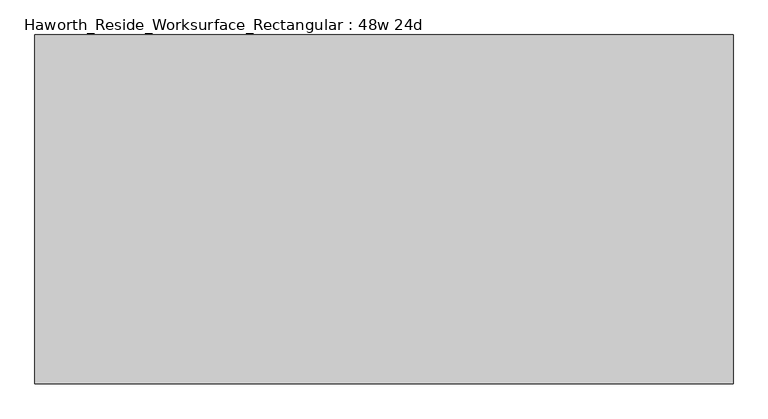
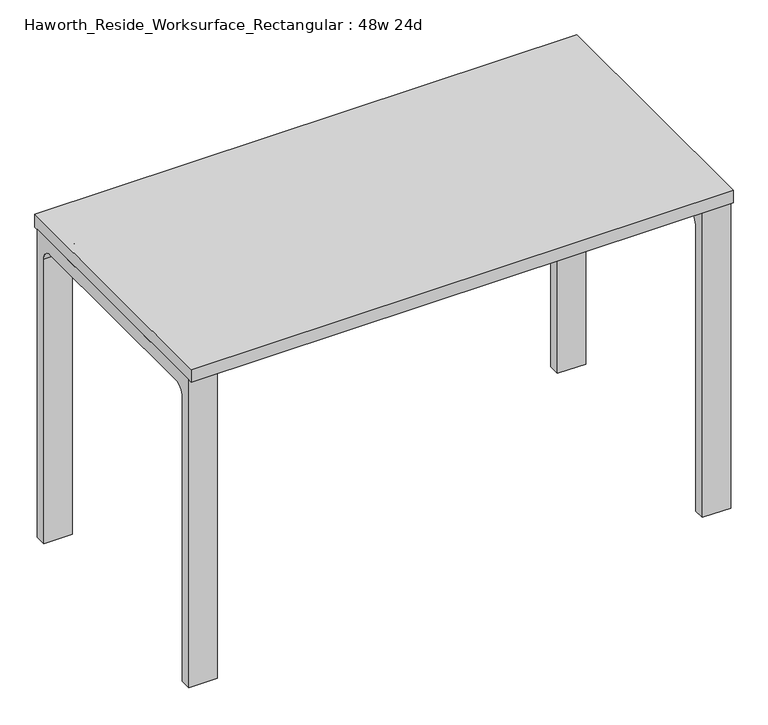
"""IFC4 building model written with IfcOpenShell, lengths in millimetres: furniture geometry, Haworth_Reside_Worksurface_Rectangular : 48w 24d."""

from ifc_helpers import new_model, si_unit, point, frame, frame_2d, origin, place, context, project, spatial, polyline, circle_curve, trimmed, segment, composite_curve, outline, extrude, source, transform, mapped, element, save


def haworth_reside_worksurface_rectangular_48w_24d_f9b2ca49(model_context):
    return source(origin(), model_context, "Body", "SweptSolid", [
        extrude(outline(composite_curve([segment(trimmed(circle_curve(frame_2d((244.475, 676.275)), 25.4), [point((269.875, 676.275))], [point((244.475, 701.675))], True, "CARTESIAN"), True, "CONTINUOUS"), segment(polyline([(244.475, 701.675), (-244.475, 701.675)]), True, "CONTINUOUS"), segment(trimmed(circle_curve(frame_2d((-244.475, 676.275)), 25.4), [point((-244.475, 701.675))], [point((-269.875, 676.275))], True, "CARTESIAN"), True, "CONTINUOUS"), segment(polyline([(-269.875, 676.275), (-269.875, 0.0), (-295.275, 0.0), (-295.275, 731.8375), (295.275, 731.8375), (295.275, 0.0), (269.875, 0.0), (269.875, 676.275)]), True, "CONTINUOUS")], self_intersect=False)), frame((546.1, 0.0, 0.0), z_axis=(1.0, 0.0, 0.0), x_axis=(0.0, 1.0, 0.0)), (0.0, 0.0, 1.0), 63.5),
        extrude(outline(composite_curve([segment(trimmed(circle_curve(frame_2d((244.475, 676.275)), 25.4), [point((269.875, 676.275))], [point((244.475, 701.675))], True, "CARTESIAN"), True, "CONTINUOUS"), segment(polyline([(244.475, 701.675), (-244.475, 701.675)]), True, "CONTINUOUS"), segment(trimmed(circle_curve(frame_2d((-244.475, 676.275)), 25.4), [point((-244.475, 701.675))], [point((-269.875, 676.275))], True, "CARTESIAN"), True, "CONTINUOUS"), segment(polyline([(-269.875, 676.275), (-269.875, 0.0), (-295.275, 0.0), (-295.275, 731.8375), (295.275, 731.8375), (295.275, 0.0), (269.875, 0.0), (269.875, 676.275)]), True, "CONTINUOUS")], self_intersect=False)), frame((-609.6, 0.0, 0.0), z_axis=(1.0, 0.0, 0.0), x_axis=(0.0, 1.0, 0.0)), (0.0, 0.0, 1.0), 63.5),
        extrude(outline(polyline([(609.6, 304.8), (609.6, -304.8), (-609.6, -304.8), (-609.6, 304.8), (609.6, 304.8)])), frame((0.0, 0.0, 731.8375), z_axis=(0.0, 0.0, 1.0), x_axis=(1.0, 0.0, 0.0)), (0.0, 0.0, 1.0), 30.1625),
    ])


if __name__ == "__main__":
    model = new_model("IFC4")
    model_context = context("Model", 3, world=origin())
    ifc_project = project(units=[si_unit("LENGTHUNIT", "METRE", prefix="MILLI")], contexts=[model_context])
    site = spatial("IfcSite", under=ifc_project)
    building = spatial("IfcBuilding", under=site)
    placement = place(None, origin())
    haworth_reside_worksurface_rectangular_48w_24d_shape = haworth_reside_worksurface_rectangular_48w_24d_f9b2ca49(model_context)
    element("IfcFurniture", 1, ObjectType="Haworth_Reside_Worksurface_Rectangular : 48w 24d", at=placement, inside=building, context=model_context, shape_type="MappedRepresentation", body=[
        mapped(haworth_reside_worksurface_rectangular_48w_24d_shape, transform((0.0, 0.0, 0.0), x_axis=(1.0, 0.0, 0.0), y_axis=(0.0, 1.0, 0.0), z_axis=(0.0, 0.0, 1.0))),
    ])
    save(model, "model.ifc")
